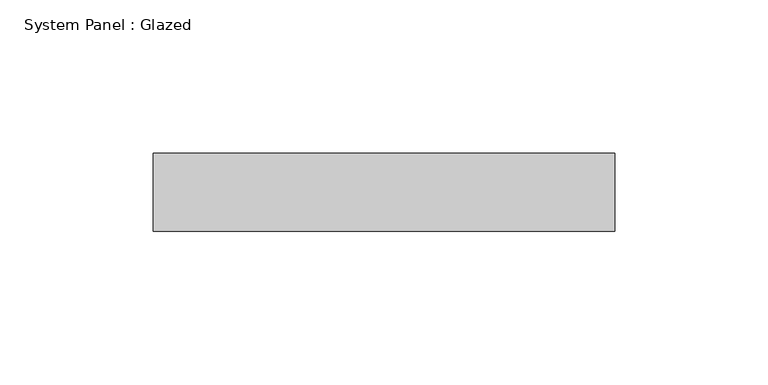
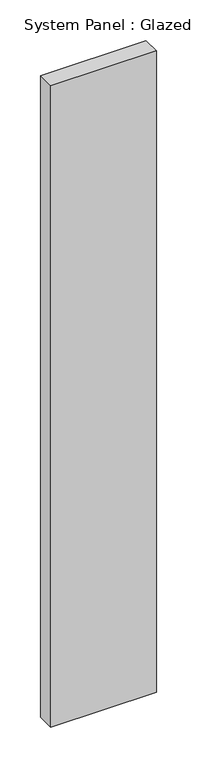
"""IFC4 building model written with IfcOpenShell, lengths in millimetres: plate geometry, System Panel : Glazed."""

from ifc_helpers import new_model, si_unit, origin, origin_with_axes, place, context, project, spatial, polyline, outline, extrude, source, transform, mapped, element, save


def system_panel_glazed_850e9f0a(model_context):
    return source(origin(), model_context, "Body", "SweptSolid", [
        extrude(outline(polyline([(75.2974388, 19.05), (-75.2974388, 19.05), (-75.2974388, 44.45), (75.2974388, 44.45), (75.2974388, 19.05)])), origin_with_axes(), (0.0, 0.0, 1.0), 966.6738216),
    ])


if __name__ == "__main__":
    model = new_model("IFC4")
    model_context = context("Model", 3, world=origin())
    ifc_project = project(units=[si_unit("LENGTHUNIT", "METRE", prefix="MILLI")], contexts=[model_context])
    site = spatial("IfcSite", under=ifc_project)
    building = spatial("IfcBuilding", under=site)
    placement = place(None, origin())
    system_panel_glazed_shape = system_panel_glazed_850e9f0a(model_context)
    element("IfcPlate", 1, ObjectType="System Panel : Glazed", at=placement, inside=building, context=model_context, shape_type="MappedRepresentation", body=[
        mapped(system_panel_glazed_shape, transform((0.0, 0.0, 0.0), x_axis=(1.0, 0.0, 0.0), y_axis=(0.0, 1.0, 0.0), z_axis=(0.0, 0.0, 1.0))),
    ])
    save(model, "model.ifc")
